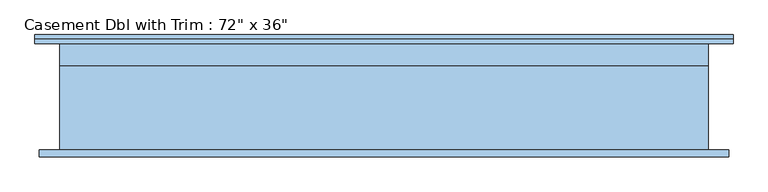
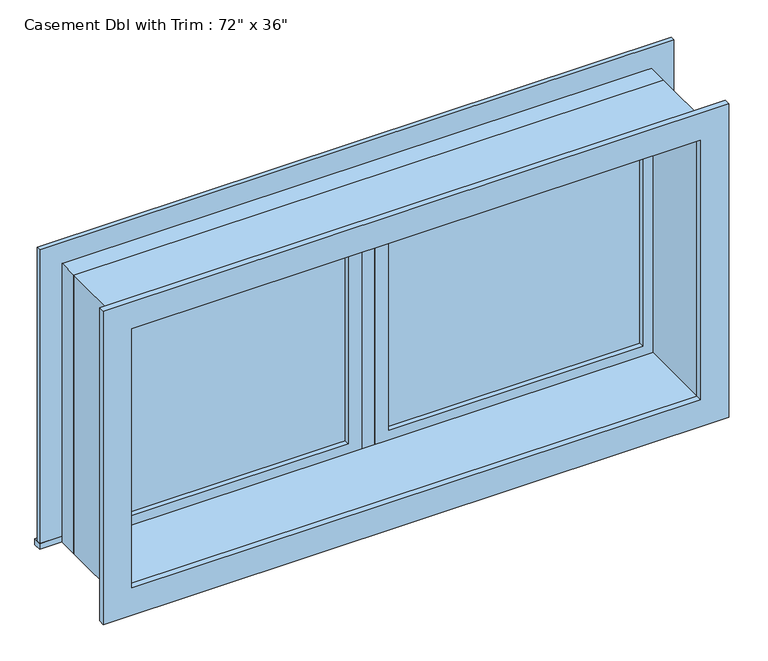
"""IFC4 building model written with IfcOpenShell, lengths in millimetres: window geometry."""

from ifc_helpers import new_model, si_unit, frame, origin, place, context, project, spatial, polyline, outline, extrude, source, transform, mapped, element, save


def window_dad8421a(model_context):
    return source(origin(), model_context, "Body", "SweptSolid", [
        extrude(outline(polyline([(63.5, 134.125), (850.9, 134.125), (850.9, 121.425), (63.5, 121.425), (63.5, 134.125)])), frame((0.0, 0.0, 1282.7), z_axis=(0.0, 0.0, 1.0), x_axis=(1.0, 0.0, 0.0)), (0.0, 0.0, 1.0), 787.4),
        extrude(outline(polyline([(2114.55, 19.05), (1238.25, 19.05), (1238.25, 895.35), (2114.55, 895.35), (2114.55, 19.05)]), holes=[polyline([(2070.1, 63.5), (2070.1, 850.9), (1282.7, 850.9), (1282.7, 63.5), (2070.1, 63.5)])]), frame((0.0, 105.55, 0.0), z_axis=(0.0, 1.0, 0.0), x_axis=(0.0, 0.0, 1.0)), (0.0, 0.0, 1.0), 44.45),
        extrude(outline(polyline([(19.05, 105.55), (-19.05, 105.55), (-19.05, 169.05), (19.05, 169.05), (19.05, 105.55)])), frame((0.0, 0.0, 1238.25), z_axis=(0.0, 0.0, 1.0), x_axis=(1.0, 0.0, 0.0)), (0.0, 0.0, 1.0), 876.3),
        extrude(outline(polyline([(-984.25, 194.45), (984.25, 194.45), (984.25, 169.05), (-984.25, 169.05), (-984.25, 194.45)])), frame((0.0, 0.0, 1219.2), z_axis=(0.0, 0.0, 1.0), x_axis=(1.0, 0.0, 0.0)), (0.0, 0.0, 1.0), 19.05),
        extrude(outline(polyline([(2114.55, -895.35), (2114.55, 895.35), (1238.25, 895.35), (1238.25, 984.25), (2203.45, 984.25), (2203.45, -984.25), (1238.25, -984.25), (1238.25, -895.35), (2114.55, -895.35)])), frame((0.0, 169.05, 0.0), z_axis=(0.0, 1.0, 0.0), x_axis=(0.0, 0.0, 1.0)), (0.0, 0.0, 1.0), 12.7),
        extrude(outline(polyline([(2190.75, 971.55), (2190.75, -971.55), (1162.05, -971.55), (1162.05, 971.55), (2190.75, 971.55)]), holes=[polyline([(2101.85, 882.65), (1250.95, 882.65), (1250.95, -882.65), (2101.85, -882.65), (2101.85, 882.65)])]), frame((0.0, -150.0, 0.0), z_axis=(0.0, 1.0, 0.0), x_axis=(0.0, 0.0, 1.0)), (0.0, 0.0, 1.0), 19.05),
        extrude(outline(polyline([(-63.5, 121.425), (-850.9, 121.425), (-850.9, 134.125), (-63.5, 134.125), (-63.5, 121.425)])), frame((0.0, 0.0, 1282.7), z_axis=(0.0, 0.0, 1.0), x_axis=(1.0, 0.0, 0.0)), (0.0, 0.0, 1.0), 787.4),
        extrude(outline(polyline([(2114.55, -895.35), (1238.25, -895.35), (1238.25, -19.05), (2114.55, -19.05), (2114.55, -895.35)]), holes=[polyline([(2070.1, -850.9), (2070.1, -63.5), (1282.7, -63.5), (1282.7, -850.9), (2070.1, -850.9)])]), frame((0.0, 105.55, 0.0), z_axis=(0.0, 1.0, 0.0), x_axis=(0.0, 0.0, 1.0)), (0.0, 0.0, 1.0), 44.45),
        extrude(outline(polyline([(2133.6, -914.4), (1219.2, -914.4), (1219.2, 914.4), (2133.6, 914.4), (2133.6, -914.4)]), holes=[polyline([(2101.85, -882.65), (2101.85, 882.65), (1250.95, 882.65), (1250.95, -882.65), (2101.85, -882.65)])]), frame((0.0, -130.95, 0.0), z_axis=(0.0, 1.0, 0.0), x_axis=(0.0, 0.0, 1.0)), (0.0, 0.0, 1.0), 236.5),
        extrude(outline(polyline([(2133.6, 914.4), (2133.6, -914.4), (1219.2, -914.4), (1219.2, 914.4), (2133.6, 914.4)]), holes=[polyline([(2114.55, 895.35), (1238.25, 895.35), (1238.25, -895.35), (2114.55, -895.35), (2114.55, 895.35)])]), frame((0.0, 105.55, 0.0), z_axis=(0.0, 1.0, 0.0), x_axis=(0.0, 0.0, 1.0)), (0.0, 0.0, 1.0), 63.5),
    ])


if __name__ == "__main__":
    model = new_model("IFC4")
    model_context = context("Model", 3, world=origin())
    ifc_project = project(units=[si_unit("LENGTHUNIT", "METRE", prefix="MILLI")], contexts=[model_context])
    site = spatial("IfcSite", under=ifc_project)
    building = spatial("IfcBuilding", under=site)
    placement = place(None, origin())
    window_shape = window_dad8421a(model_context)
    element("IfcWindow", 1, ObjectType="Casement Dbl with Trim : 72\" x 36\"", at=placement, inside=building, context=model_context, shape_type="MappedRepresentation", body=[
        mapped(window_shape, transform((0.0, 0.0, 0.0), x_axis=(1.0, 0.0, 0.0), y_axis=(0.0, 1.0, 0.0), z_axis=(0.0, 0.0, 1.0))),
    ])
    save(model, "model.ifc")
